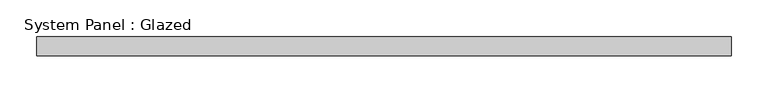
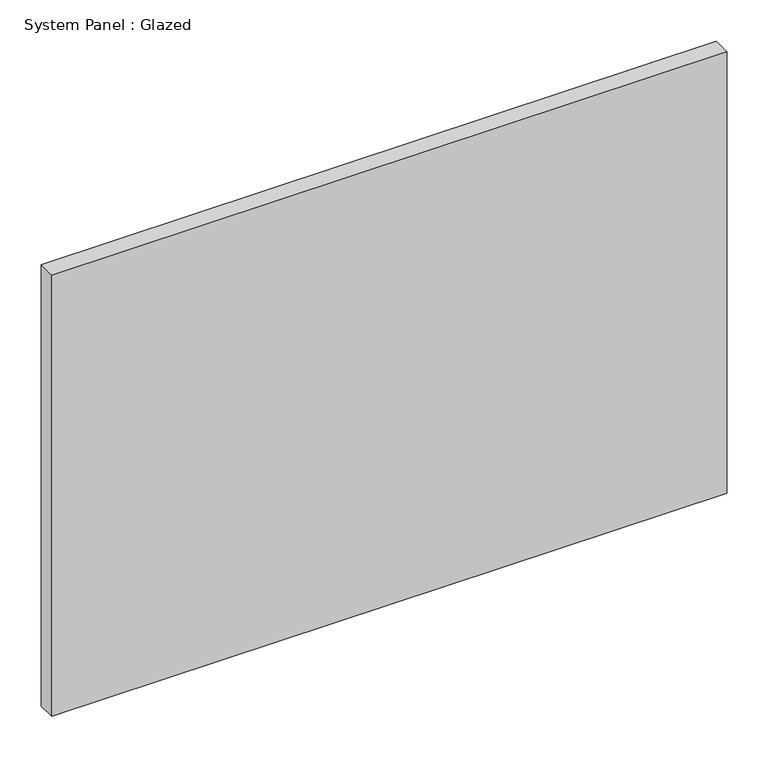
"""IFC4 building model written with IfcOpenShell, lengths in millimetres: plate geometry, System Panel : Glazed."""

from ifc_helpers import new_model, si_unit, origin, origin_with_axes, place, context, project, spatial, polyline, outline, extrude, source, transform, mapped, element, save


def system_panel_glazed_c091cf88(model_context):
    return source(origin(), model_context, "Body", "SweptSolid", [
        extrude(outline(polyline([(469.9, -44.45), (-469.9, -44.45), (-469.9, -19.05), (469.9, -19.05), (469.9, -44.45)])), origin_with_axes(), (0.0, 0.0, 1.0), 649.8166667),
    ])


if __name__ == "__main__":
    model = new_model("IFC4")
    model_context = context("Model", 3, world=origin())
    ifc_project = project(units=[si_unit("LENGTHUNIT", "METRE", prefix="MILLI")], contexts=[model_context])
    site = spatial("IfcSite", under=ifc_project)
    building = spatial("IfcBuilding", under=site)
    placement = place(None, origin())
    system_panel_glazed_shape = system_panel_glazed_c091cf88(model_context)
    element("IfcPlate", 1, ObjectType="System Panel : Glazed", at=placement, inside=building, context=model_context, shape_type="MappedRepresentation", body=[
        mapped(system_panel_glazed_shape, transform((0.0, 0.0, 0.0), x_axis=(1.0, 0.0, 0.0), y_axis=(0.0, 1.0, 0.0), z_axis=(0.0, 0.0, 1.0))),
    ])
    save(model, "model.ifc")
